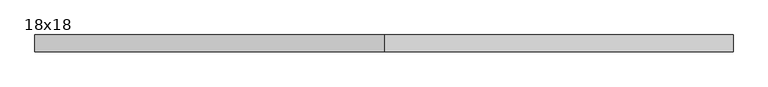
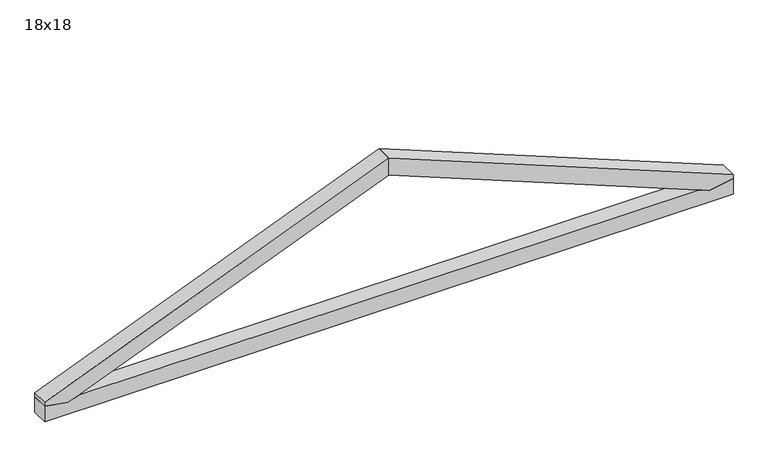
"""IFC4 building model written with IfcOpenShell, lengths in millimetres: beam geometry, 18x18."""

from ifc_helpers import new_model, si_unit, frame, origin, place, context, project, spatial, polyline, outline, extrude, source, transform, mapped, element, save


def beam_18x18_5b6595b0(model_context):
    return source(origin(), model_context, "Body", "SweptSolid", [
        extrude(outline(polyline([(55.0, -3712.5), (-125.0, -3712.5), (-125.0, 3712.5), (55.0, 3712.5), (9.4545347, 3454.1988306), (55.0, 3340.3351674), (55.0, -3340.3351674), (9.4545347, -3454.1988306), (55.0, -3712.5)])), frame((0.0, -90.0, 0.0), z_axis=(0.0, 1.0, 0.0), x_axis=(0.0, 0.0, 1.0)), (0.0, 0.0, 1.0), 180.0),
        extrude(outline(polyline([(1585.0, 0.0), (1391.1340669, 0.0), (9.4545347, 3454.1988306), (55.0, 3712.5), (100.0, 3712.5), (1585.0, 0.0)])), frame((0.0, -90.0, 0.0), z_axis=(0.0, 1.0, 0.0), x_axis=(0.0, 0.0, 1.0)), (0.0, 0.0, 1.0), 180.0),
        extrude(outline(polyline([(1391.1340669, 0.0), (1585.0, 0.0), (100.0, -3712.5), (55.0, -3712.5), (9.4545347, -3454.1988306), (1391.1340669, 0.0)])), frame((0.0, -90.0, 0.0), z_axis=(0.0, 1.0, 0.0), x_axis=(0.0, 0.0, 1.0)), (0.0, 0.0, 1.0), 180.0),
    ])


if __name__ == "__main__":
    model = new_model("IFC4")
    model_context = context("Model", 3, world=origin())
    ifc_project = project(units=[si_unit("LENGTHUNIT", "METRE", prefix="MILLI")], contexts=[model_context])
    site = spatial("IfcSite", under=ifc_project)
    building = spatial("IfcBuilding", under=site)
    placement = place(None, origin())
    beam_18x18_shape = beam_18x18_5b6595b0(model_context)
    element("IfcBeam", 1, ObjectType="18x18", at=placement, inside=building, context=model_context, shape_type="MappedRepresentation", body=[
        mapped(beam_18x18_shape, transform((0.0, 0.0, 0.0), x_axis=(1.0, 0.0, 0.0), y_axis=(0.0, 1.0, 0.0), z_axis=(0.0, 0.0, 1.0))),
    ])
    save(model, "model.ifc")
